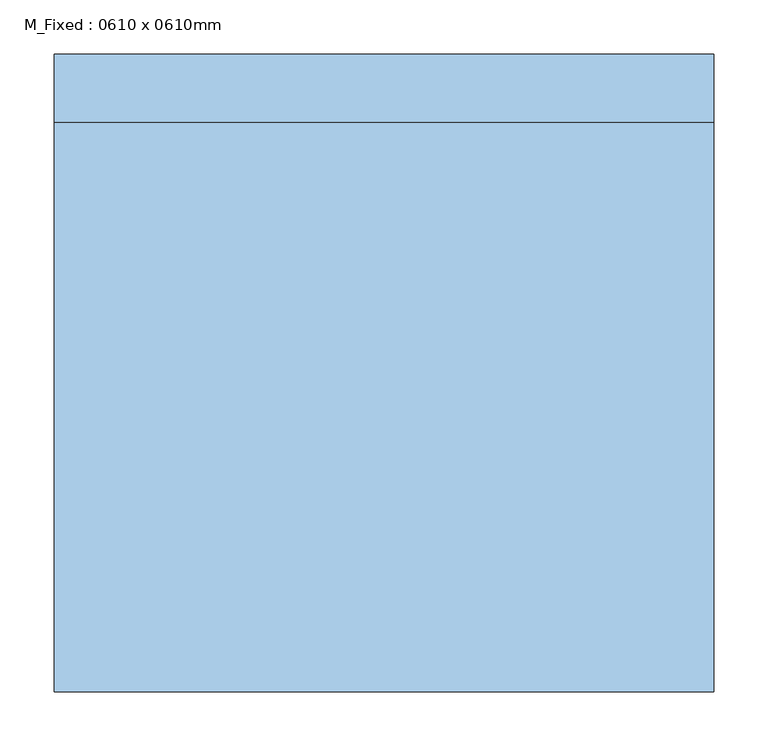
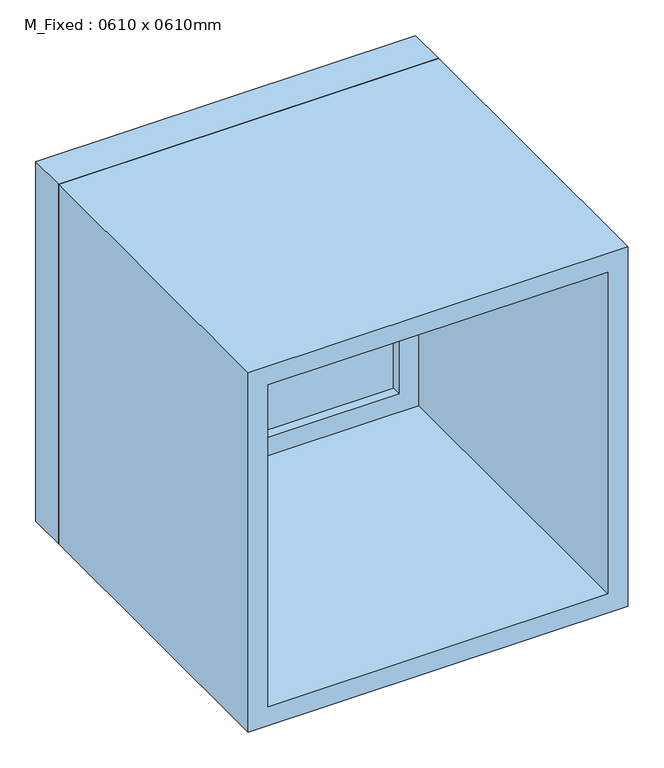
"""IFC4 building model written with IfcOpenShell, lengths in millimetres: window geometry, M_Fixed : 0610 x 0610mm."""

from ifc_helpers import new_model, si_unit, frame, origin, place, context, project, spatial, polyline, outline, extrude, source, transform, mapped, element, save


def m_fixed_0610_x_0610mm_c986bf63(model_context):
    return source(origin(), model_context, "Body", "SweptSolid", [
        extrude(outline(polyline([(-242.0, 273.0), (242.0, 273.0), (242.0, 261.0), (-242.0, 261.0), (-242.0, 273.0)])), frame((0.0, 0.0, 978.0), z_axis=(0.0, 0.0, 1.0), x_axis=(1.0, 0.0, 0.0)), (0.0, 0.0, 1.0), 484.0),
        extrude(outline(polyline([(1506.0, -286.0), (934.0, -286.0), (934.0, 286.0), (1506.0, 286.0), (1506.0, -286.0)]), holes=[polyline([(1462.0, -242.0), (1462.0, 242.0), (978.0, 242.0), (978.0, -242.0), (1462.0, -242.0)])]), frame((0.0, 245.0, 0.0), z_axis=(0.0, 1.0, 0.0), x_axis=(0.0, 0.0, 1.0)), (0.0, 0.0, 1.0), 44.0),
        extrude(outline(polyline([(1525.0, -305.0), (915.0, -305.0), (915.0, 305.0), (1525.0, 305.0), (1525.0, -305.0)]), holes=[polyline([(1506.0, -286.0), (1506.0, 286.0), (934.0, 286.0), (934.0, -286.0), (1506.0, -286.0)])]), frame((0.0, 245.0, 0.0), z_axis=(0.0, 1.0, 0.0), x_axis=(0.0, 0.0, 1.0)), (0.0, 0.0, 1.0), 63.0),
        extrude(outline(polyline([(1525.0, -305.0), (915.0, -305.0), (915.0, 305.0), (1525.0, 305.0), (1525.0, -305.0)]), holes=[polyline([(1493.0, -273.0), (1493.0, 273.0), (947.0, 273.0), (947.0, -273.0), (1493.0, -273.0)])]), frame((0.0, -282.0, 0.0), z_axis=(0.0, 1.0, 0.0), x_axis=(0.0, 0.0, 1.0)), (0.0, 0.0, 1.0), 527.0),
    ])


if __name__ == "__main__":
    model = new_model("IFC4")
    model_context = context("Model", 3, world=origin())
    ifc_project = project(units=[si_unit("LENGTHUNIT", "METRE", prefix="MILLI")], contexts=[model_context])
    site = spatial("IfcSite", under=ifc_project)
    building = spatial("IfcBuilding", under=site)
    placement = place(None, origin())
    m_fixed_0610_x_0610mm_shape = m_fixed_0610_x_0610mm_c986bf63(model_context)
    element("IfcWindow", 1, ObjectType="M_Fixed : 0610 x 0610mm", at=placement, inside=building, context=model_context, shape_type="MappedRepresentation", body=[
        mapped(m_fixed_0610_x_0610mm_shape, transform((0.0, 0.0, 0.0), x_axis=(1.0, 0.0, 0.0), y_axis=(0.0, 1.0, 0.0), z_axis=(0.0, 0.0, 1.0))),
    ])
    save(model, "model.ifc")
